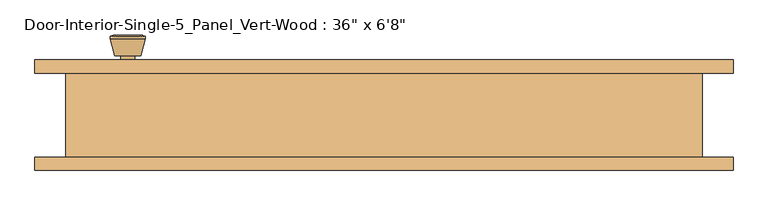
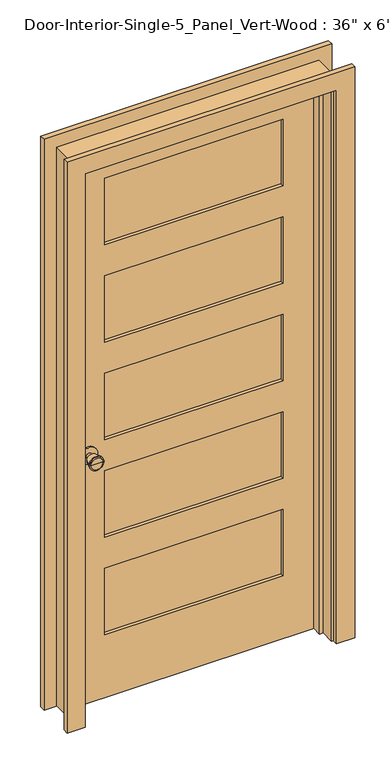
"""IFC4 building model written with IfcOpenShell, lengths in millimetres: door geometry."""

from ifc_helpers import new_model, si_unit, point, frame, frame_2d, origin, place, context, project, spatial, polyline, circle_curve, trimmed, segment, composite_curve, outline, extrude, faceted_brep, source, transform, mapped, element, save
from ifc_brep_helpers import plane_surface, cylinder_surface, revolved_surface, advanced_brep


def door_6d269223(model_context):
    return source(origin(), model_context, "Body", "SolidModel", [
        advanced_brep(
        [(-368.3, 16.225, 914.4), (-358.3, 16.225, 914.4), (-378.3, 16.225, 914.4), (-347.8241324, -32.775, 914.4), (-368.3, -32.775, 914.4), (-388.7758676, -32.775, 914.4), (-343.3, -30.9471319, 914.4), (-393.3, -30.9471319, 914.4), (-343.3, -27.4834537, 914.4), (-393.3, -27.4834537, 914.4), (-349.663764, -2.775, 914.4), (-386.936236, -2.775, 914.4), (-358.3, -2.775, 914.4), (-378.3, -2.775, 914.4)],
        [
            (0, 1),
            (1, 2, circle_curve(frame((-368.3, 16.225, 914.4), z_axis=(0.0, 1.0, 0.0), x_axis=(-1.0, 0.0, 0.0)), 10.0)),
            (2, 0),
            (2, 1, circle_curve(frame((-368.3, 16.225, 914.4), z_axis=(0.0, 1.0, 0.0), x_axis=(-1.0, 0.0, 0.0)), 10.0)),
            (3, 4),
            (4, 5),
            (5, 3, circle_curve(frame((-368.3, -32.775, 914.4), z_axis=(0.0, -1.0, 0.0), x_axis=(-1.0, 0.0, 0.0)), 20.4758676)),
            (3, 5, circle_curve(frame((-368.3, -32.775, 914.4), z_axis=(0.0, -1.0, 0.0), x_axis=(-1.0, 0.0, 0.0)), 20.4758676)),
            (6, 3),
            (5, 7),
            (7, 6, circle_curve(frame((-368.3, -30.9471319, 914.4), z_axis=(0.0, -1.0, 0.0), x_axis=(-1.0, 0.0, 0.0)), 25.0)),
            (6, 7, circle_curve(frame((-368.3, -30.9471319, 914.4), z_axis=(0.0, -1.0, 0.0), x_axis=(-1.0, 0.0, 0.0)), 25.0)),
            (8, 6),
            (7, 9),
            (9, 8, circle_curve(frame((-368.3, -27.4834537, 914.4), z_axis=(0.0, -1.0, 0.0), x_axis=(-1.0, 0.0, 0.0)), 25.0)),
            (8, 9, circle_curve(frame((-368.3, -27.4834537, 914.4), z_axis=(0.0, -1.0, 0.0), x_axis=(-1.0, 0.0, 0.0)), 25.0)),
            (10, 8),
            (9, 11),
            (11, 10, circle_curve(frame((-368.3, -2.775, 914.4), z_axis=(0.0, -1.0, 0.0), x_axis=(-1.0, 0.0, 0.0)), 18.636236)),
            (10, 11, circle_curve(frame((-368.3, -2.775, 914.4), z_axis=(0.0, -1.0, 0.0), x_axis=(-1.0, 0.0, 0.0)), 18.636236)),
            (12, 10),
            (11, 13),
            (13, 12, circle_curve(frame((-368.3, -2.775, 914.4), z_axis=(0.0, -1.0, 0.0), x_axis=(-1.0, 0.0, 0.0)), 10.0)),
            (12, 13, circle_curve(frame((-368.3, -2.775, 914.4), z_axis=(0.0, -1.0, 0.0), x_axis=(-1.0, 0.0, 0.0)), 10.0)),
            (1, 12),
            (13, 2),
        ],
        [
            plane_surface(frame((-368.3, 16.225, 914.4), z_axis=(0.0, 1.0, 0.0), x_axis=(-1.0, 0.0, 0.0))),
            plane_surface(frame((-368.3, -32.775, 914.4), z_axis=(0.0, -1.0, 0.0), x_axis=(-1.0, 0.0, 0.0))),
            revolved_surface(polyline([(-388.7758676, -32.775, 914.4), (-393.3, -30.9471319, 914.4)]), (-368.3, 16.225, 914.4), (0.0, 1.0, 0.0)),
            cylinder_surface(frame((-368.3, 16.225, 914.4), z_axis=(0.0, 1.0, 0.0), x_axis=(-1.0, 0.0, 0.0)), 25.0),
            revolved_surface(polyline([(-393.3, -27.4834537, 914.4), (-386.936236, -2.775, 914.4)]), (-368.3, 16.225, 914.4), (0.0, 1.0, 0.0)),
            plane_surface(frame((-368.3, -2.775, 914.4), z_axis=(0.0, 1.0, 0.0), x_axis=(-1.0, 0.0, 0.0))),
            cylinder_surface(frame((-368.3, 16.225, 914.4), z_axis=(0.0, 1.0, 0.0), x_axis=(-1.0, 0.0, 0.0)), 10.0),
        ],
        [
            (0, [[1, 2, 3]]),
            (0, [[-3, 4, -1]]),
            (1, [[5, 6, 7]]),
            (1, [[-6, -5, 8]]),
            (2, [[9, -7, 10, 11]]),
            (2, [[-10, -8, -9, 12]]),
            (3, [[13, -11, 14, 15]]),
            (3, [[-14, -12, -13, 16]]),
            (4, [[17, -15, 18, 19]]),
            (4, [[-18, -16, -17, 20]]),
            (5, [[21, -19, 22, 23]]),
            (5, [[-22, -20, -21, 24]]),
            (6, [[25, -23, 26, -2]]),
            (6, [[-26, -24, -25, -4]]),
        ],
    ),
        extrude(outline(composite_curve([segment(trimmed(circle_curve(frame_2d((914.4, -368.3)), 30.0), [point((914.4, -398.3))], [point((914.4, -338.3))], False, "CARTESIAN"), True, "CONTINUOUS"), segment(trimmed(circle_curve(frame_2d((914.4, -368.3)), 30.0), [point((914.4, -338.3))], [point((914.4, -398.3))], False, "CARTESIAN"), True, "CONTINUOUS")], self_intersect=False)), frame((0.0, 16.225, 0.0), z_axis=(0.0, 1.0, 0.0), x_axis=(0.0, 0.0, 1.0)), (0.0, 0.0, 1.0), 6.0),
        advanced_brep(
        [(-368.3, 63.15, 914.4), (-378.3, 63.15, 914.4), (-358.3, 63.15, 914.4), (-347.8241324, 112.15, 914.4), (-388.7758676, 112.15, 914.4), (-368.3, 112.15, 914.4), (-343.3, 110.3221319, 914.4), (-393.3, 110.3221319, 914.4), (-343.3, 106.8584537, 914.4), (-393.3, 106.8584537, 914.4), (-349.663764, 82.15, 914.4), (-386.936236, 82.15, 914.4), (-358.3, 82.15, 914.4), (-378.3, 82.15, 914.4)],
        [
            (0, 1),
            (1, 2, circle_curve(frame((-368.3, 63.15, 914.4), z_axis=(0.0, -1.0, 0.0), x_axis=(-1.0, 0.0, 0.0)), 10.0)),
            (2, 0),
            (2, 1, circle_curve(frame((-368.3, 63.15, 914.4), z_axis=(0.0, -1.0, 0.0), x_axis=(-1.0, 0.0, 0.0)), 10.0)),
            (3, 4, circle_curve(frame((-368.3, 112.15, 914.4), z_axis=(0.0, 1.0, 0.0), x_axis=(-1.0, 0.0, 0.0)), 20.4758676)),
            (4, 5),
            (5, 3),
            (4, 3, circle_curve(frame((-368.3, 112.15, 914.4), z_axis=(0.0, 1.0, 0.0), x_axis=(-1.0, 0.0, 0.0)), 20.4758676)),
            (6, 7, circle_curve(frame((-368.3, 110.3221319, 914.4), z_axis=(0.0, 1.0, 0.0), x_axis=(-1.0, 0.0, 0.0)), 25.0)),
            (7, 4),
            (3, 6),
            (7, 6, circle_curve(frame((-368.3, 110.3221319, 914.4), z_axis=(0.0, 1.0, 0.0), x_axis=(-1.0, 0.0, 0.0)), 25.0)),
            (8, 9, circle_curve(frame((-368.3, 106.8584537, 914.4), z_axis=(0.0, 1.0, 0.0), x_axis=(-1.0, 0.0, 0.0)), 25.0)),
            (9, 7),
            (6, 8),
            (9, 8, circle_curve(frame((-368.3, 106.8584537, 914.4), z_axis=(0.0, 1.0, 0.0), x_axis=(-1.0, 0.0, 0.0)), 25.0)),
            (10, 11, circle_curve(frame((-368.3, 82.15, 914.4), z_axis=(0.0, 1.0, 0.0), x_axis=(-1.0, 0.0, 0.0)), 18.636236)),
            (11, 9),
            (8, 10),
            (11, 10, circle_curve(frame((-368.3, 82.15, 914.4), z_axis=(0.0, 1.0, 0.0), x_axis=(-1.0, 0.0, 0.0)), 18.636236)),
            (12, 13, circle_curve(frame((-368.3, 82.15, 914.4), z_axis=(0.0, 1.0, 0.0), x_axis=(-1.0, 0.0, 0.0)), 10.0)),
            (13, 11),
            (10, 12),
            (13, 12, circle_curve(frame((-368.3, 82.15, 914.4), z_axis=(0.0, 1.0, 0.0), x_axis=(-1.0, 0.0, 0.0)), 10.0)),
            (1, 13),
            (12, 2),
        ],
        [
            plane_surface(frame((-368.3, 63.15, 914.4), z_axis=(0.0, -1.0, 0.0), x_axis=(-1.0, 0.0, 0.0))),
            plane_surface(frame((-368.3, 112.15, 914.4), z_axis=(0.0, 1.0, 0.0), x_axis=(-1.0, 0.0, 0.0))),
            revolved_surface(polyline([(-388.7758676, 112.15, 914.4), (-393.3, 110.3221319, 914.4)]), (-368.3, 63.15, 914.4), (0.0, -1.0, 0.0)),
            cylinder_surface(frame((-368.3, 63.15, 914.4), z_axis=(0.0, -1.0, 0.0), x_axis=(-1.0, 0.0, 0.0)), 25.0),
            revolved_surface(polyline([(-393.3, 106.8584537, 914.4), (-386.936236, 82.15, 914.4)]), (-368.3, 63.15, 914.4), (0.0, -1.0, 0.0)),
            plane_surface(frame((-368.3, 82.15, 914.4), z_axis=(0.0, -1.0, 0.0), x_axis=(-1.0, 0.0, 0.0))),
            cylinder_surface(frame((-368.3, 63.15, 914.4), z_axis=(0.0, -1.0, 0.0), x_axis=(-1.0, 0.0, 0.0)), 10.0),
        ],
        [
            (0, [[1, 2, 3]]),
            (0, [[-3, 4, -1]]),
            (1, [[5, 6, 7]]),
            (1, [[8, -7, -6]]),
            (2, [[9, 10, -5, 11]]),
            (2, [[12, -11, -8, -10]]),
            (3, [[13, 14, -9, 15]]),
            (3, [[16, -15, -12, -14]]),
            (4, [[17, 18, -13, 19]]),
            (4, [[20, -19, -16, -18]]),
            (5, [[21, 22, -17, 23]]),
            (5, [[24, -23, -20, -22]]),
            (6, [[-2, 25, -21, 26]]),
            (6, [[-4, -26, -24, -25]]),
        ],
    ),
        extrude(outline(composite_curve([segment(trimmed(circle_curve(frame_2d((914.4, -368.3)), 30.0), [point((914.4, -398.3))], [point((914.4, -338.3))], False, "CARTESIAN"), True, "CONTINUOUS"), segment(trimmed(circle_curve(frame_2d((914.4, -368.3)), 30.0), [point((914.4, -338.3))], [point((914.4, -398.3))], False, "CARTESIAN"), True, "CONTINUOUS")], self_intersect=False)), frame((0.0, 57.15, 0.0), z_axis=(0.0, 1.0, 0.0), x_axis=(0.0, 0.0, 1.0)), (0.0, 0.0, 1.0), 6.0),
        extrude(outline(polyline([(311.15, 33.8666667), (-311.15, 33.8666667), (-311.15, 45.5083333), (311.15, 45.5083333), (311.15, 33.8666667)])), frame((0.0, 0.0, 1668.145), z_axis=(0.0, 0.0, 1.0), x_axis=(1.0, 0.0, 0.0)), (0.0, 0.0, 1.0), 244.7925),
        extrude(outline(polyline([(311.15, 33.8666667), (-311.15, 33.8666667), (-311.15, 45.5083333), (311.15, 45.5083333), (311.15, 33.8666667)])), frame((0.0, 0.0, 1309.0525), z_axis=(0.0, 0.0, 1.0), x_axis=(1.0, 0.0, 0.0)), (0.0, 0.0, 1.0), 244.7925),
        extrude(outline(polyline([(311.15, 33.8666667), (-311.15, 33.8666667), (-311.15, 45.5083333), (311.15, 45.5083333), (311.15, 33.8666667)])), frame((0.0, 0.0, 590.8675), z_axis=(0.0, 0.0, 1.0), x_axis=(1.0, 0.0, 0.0)), (0.0, 0.0, 1.0), 244.7925),
        extrude(outline(polyline([(311.15, 33.8666667), (-311.15, 33.8666667), (-311.15, 45.5083333), (311.15, 45.5083333), (311.15, 33.8666667)])), frame((0.0, 0.0, 231.775), z_axis=(0.0, 0.0, 1.0), x_axis=(1.0, 0.0, 0.0)), (0.0, 0.0, 1.0), 244.7925),
        extrude(outline(polyline([(311.15, 33.8666667), (-311.15, 33.8666667), (-311.15, 45.5083333), (311.15, 45.5083333), (311.15, 33.8666667)])), frame((0.0, 0.0, 949.96), z_axis=(0.0, 0.0, 1.0), x_axis=(1.0, 0.0, 0.0)), (0.0, 0.0, 1.0), 244.7925),
        extrude(outline(polyline([(2032.0, -431.8), (0.0, -431.8), (0.0, 431.8), (2032.0, 431.8), (2032.0, -431.8)]), holes=[polyline([(1912.9375, -311.15), (1912.9375, 311.15), (1668.145, 311.15), (1668.145, -311.15), (1912.9375, -311.15)]), polyline([(476.5675, -311.15), (476.5675, 311.15), (231.775, 311.15), (231.775, -311.15), (476.5675, -311.15)]), polyline([(1194.7525, -311.15), (1194.7525, 311.15), (949.96, 311.15), (949.96, -311.15), (1194.7525, -311.15)]), polyline([(1553.845, -311.15), (1553.845, 311.15), (1309.0525, 311.15), (1309.0525, -311.15), (1553.845, -311.15)]), polyline([(835.66, -311.15), (835.66, 311.15), (590.8675, 311.15), (590.8675, -311.15), (835.66, -311.15)])]), frame((0.0, 22.225, 0.0), z_axis=(0.0, 1.0, 0.0), x_axis=(0.0, 0.0, 1.0)), (0.0, 0.0, 1.0), 34.925),
        faceted_brep([(457.2, 57.15, 0.0), (457.2, -63.5, 0.0), (431.8, -63.5, 0.0), (431.8, -12.7, 0.0), (419.1, -12.7, 0.0), (419.1, 22.225, 0.0), (431.8, 22.225, 0.0), (431.8, 57.15, 0.0), (457.2, 57.15, 2057.4), (457.2, -63.5, 2057.4), (-457.2, -63.5, 2057.4), (-457.2, -63.5, 0.0), (-431.8, -63.5, 0.0), (-431.8, -63.5, 2032.0), (431.8, -63.5, 2032.0), (431.8, -12.7, 2032.0), (-431.8, -12.7, 2032.0), (-431.8, -12.7, 0.0), (-419.1, -12.7, 0.0), (-419.1, -12.7, 2019.3), (419.1, -12.7, 2019.3), (419.1, 22.225, 2019.3), (-419.1, 22.225, 2019.3), (-419.1, 22.225, 0.0), (-431.8, 22.225, 0.0), (-431.8, 22.225, 2032.0), (431.8, 22.225, 2032.0), (431.8, 57.15, 2032.0), (-431.8, 57.15, 2032.0), (-431.8, 57.15, 0.0), (-457.2, 57.15, 0.0), (-457.2, 57.15, 2057.4)], [[[0, 1, 2, 3, 4, 5, 6, 7]], [[1, 0, 8, 9]], [[2, 1, 9, 10, 11, 12, 13, 14]], [[3, 2, 14, 15]], [[4, 3, 15, 16, 17, 18, 19, 20]], [[5, 4, 20, 21]], [[6, 5, 21, 22, 23, 24, 25, 26]], [[7, 6, 26, 27]], [[0, 7, 27, 28, 29, 30, 31, 8]], [[9, 8, 31, 10]], [[15, 14, 13, 16]], [[21, 20, 19, 22]], [[27, 26, 25, 28]], [[30, 29, 24, 23, 18, 17, 12, 11]], [[10, 31, 30, 11]], [[16, 13, 12, 17]], [[22, 19, 18, 23]], [[28, 25, 24, 29]]]),
        extrude(outline(polyline([(0.0, 438.15), (0.0, 501.65), (2101.85, 501.65), (2101.85, -501.65), (0.0, -501.65), (0.0, -438.15), (2038.35, -438.15), (2038.35, 438.15), (0.0, 438.15)])), frame((0.0, -82.55, 0.0), z_axis=(0.0, 1.0, 0.0), x_axis=(0.0, 0.0, 1.0)), (0.0, 0.0, 1.0), 19.05),
        extrude(outline(polyline([(0.0, 438.15), (0.0, 501.65), (2101.85, 501.65), (2101.85, -501.65), (0.0, -501.65), (0.0, -438.15), (2038.35, -438.15), (2038.35, 438.15), (0.0, 438.15)])), frame((0.0, 57.15, 0.0), z_axis=(0.0, 1.0, 0.0), x_axis=(0.0, 0.0, 1.0)), (0.0, 0.0, 1.0), 19.05),
    ])


if __name__ == "__main__":
    model = new_model("IFC4")
    model_context = context("Model", 3, world=origin())
    ifc_project = project(units=[si_unit("LENGTHUNIT", "METRE", prefix="MILLI")], contexts=[model_context])
    site = spatial("IfcSite", under=ifc_project)
    building = spatial("IfcBuilding", under=site)
    placement = place(None, origin())
    door_shape = door_6d269223(model_context)
    element("IfcDoor", 1, ObjectType="Door-Interior-Single-5_Panel_Vert-Wood : 36\" x 6'8\"", at=placement, inside=building, context=model_context, shape_type="MappedRepresentation", body=[
        mapped(door_shape, transform((0.0, 0.0, 0.0), x_axis=(1.0, 0.0, 0.0), y_axis=(0.0, 1.0, 0.0), z_axis=(0.0, 0.0, 1.0))),
    ])
    save(model, "model.ifc")
